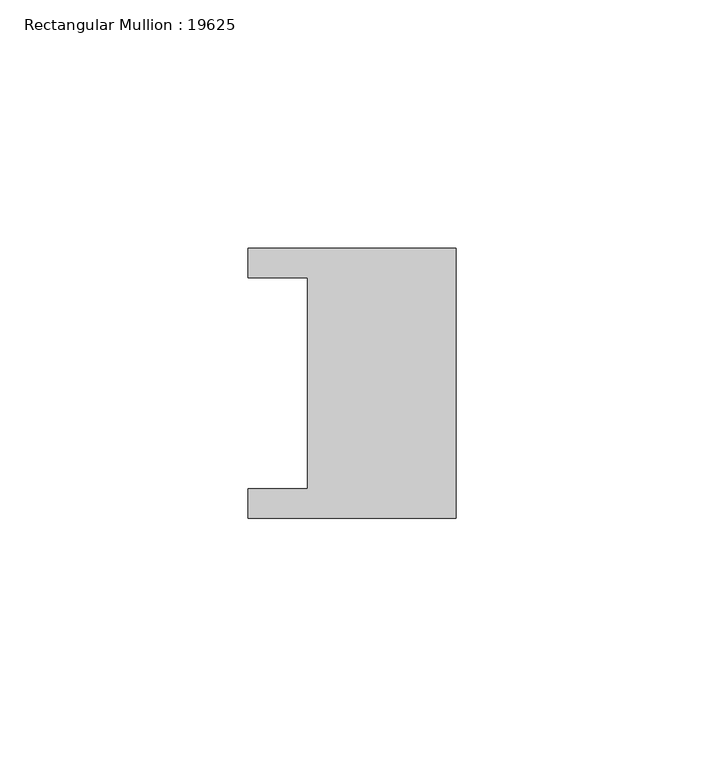
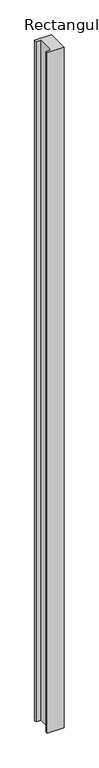
"""IFC4 building model written with IfcOpenShell, lengths in millimetres: member geometry, Rectangular Mullion : 19625."""

from ifc_helpers import new_model, si_unit, frame, origin, place, context, project, spatial, polyline, outline, extrude, source, transform, mapped, element, save


def rectangular_mullion_19625_7a678645(model_context):
    return source(origin(), model_context, "Body", "SweptSolid", [
        extrude(outline(polyline([(0.0, -27.25), (-42.0, -27.25), (-42.0, -21.25), (-30.0, -21.25), (-30.0, 21.25), (-42.0, 21.25), (-42.0, 27.25), (0.0, 27.25), (0.0, -27.25)])), frame((0.0, 0.0, -1800.0), z_axis=(0.0, 0.0, 1.0), x_axis=(1.0, 0.0, 0.0)), (0.0, 0.0, 1.0), 1800.0),
    ])


if __name__ == "__main__":
    model = new_model("IFC4")
    model_context = context("Model", 3, world=origin())
    ifc_project = project(units=[si_unit("LENGTHUNIT", "METRE", prefix="MILLI")], contexts=[model_context])
    site = spatial("IfcSite", under=ifc_project)
    building = spatial("IfcBuilding", under=site)
    placement = place(None, origin())
    rectangular_mullion_19625_shape = rectangular_mullion_19625_7a678645(model_context)
    element("IfcMember", 1, ObjectType="Rectangular Mullion : 19625", at=placement, inside=building, context=model_context, shape_type="MappedRepresentation", body=[
        mapped(rectangular_mullion_19625_shape, transform((0.0, 0.0, 0.0), x_axis=(1.0, 0.0, 0.0), y_axis=(0.0, 1.0, 0.0), z_axis=(0.0, 0.0, 1.0))),
    ])
    save(model, "model.ifc")
